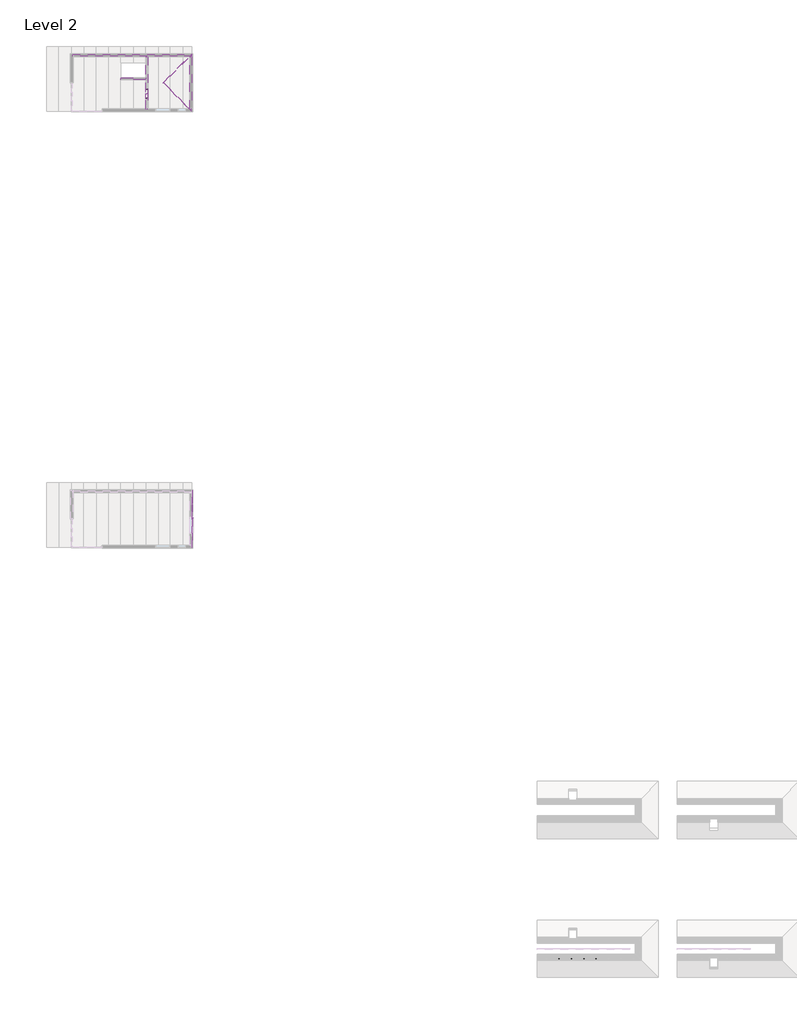
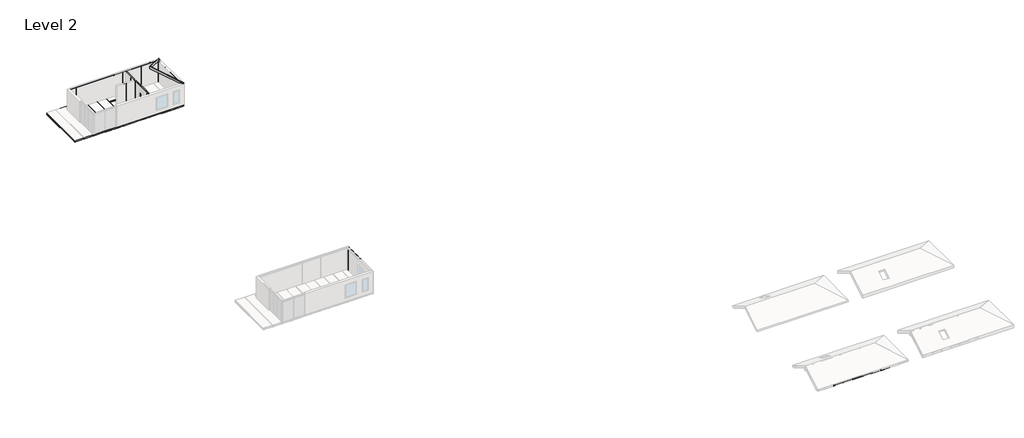
# One storey, part 4 of 5: 107 beams.
"""IFC4 building model written with IfcOpenShell, lengths in millimetres."""

import ifcopenshell
import ifcopenshell.guid

model = None  # the IFC model being written
_history = None  # IfcOwnerHistory: only IFC2X3 demands one
_inside = {}  # id of a spatial element -> (the spatial element, [elements in it])
_under = {}  # id of a project, library or spatial element -> (it, [spatial elements below it])
_declared = {}  # id of a project -> (the project, [libraries it declares])
_typed = {}  # id of a type object -> (the type object, [elements of that type])
_made_of = {}  # id of a material, layer set ... -> (it, [elements and type objects made of it])


def new_model(schema):
    """Start an empty IFC model of exactly this schema.

    Asked for "IFC4X3", IfcOpenShell would pick the latest addendum, in which some entities
    have other attributes; the version numbers below select the first issue.
    IFC2X3 requires an IfcOwnerHistory on every rooted entity: one is made here for all.
    """
    global model, _history
    if schema == "IFC4X3":
        model = ifcopenshell.file(schema_version=(4, 3, 0, 0))
    else:
        model = ifcopenshell.file(schema=schema)
    _inside.clear()
    _under.clear()
    _declared.clear()
    _typed.clear()
    _made_of.clear()
    _history = None
    if model.schema == "IFC2X3":
        org = make("IfcOrganization", Name="unknown")
        user = make(
            "IfcPersonAndOrganization",
            ThePerson=make("IfcPerson", FamilyName="unknown"),
            TheOrganization=org,
        )
        app = make(
            "IfcApplication",
            ApplicationDeveloper=org,
            Version="unknown",
            ApplicationFullName="unknown",
            ApplicationIdentifier="unknown",
        )
        _history = make(
            "IfcOwnerHistory",
            OwningUser=user,
            OwningApplication=app,
            ChangeAction="ADDED",
            CreationDate=0,
        )
    return model


def make(cls, **values):
    """One entity of the class cls with the attributes given. An attribute that is None is left unset."""
    return model.create_entity(
        cls, **{name: value for name, value in values.items() if value is not None}
    )


def rooted(cls, **values):
    """An entity with a GlobalId (a new one), such as an element, a storey or a relation."""
    return make(cls, GlobalId=ifcopenshell.guid.new(), OwnerHistory=_history, **values)


def si_unit(unit_type, name, prefix=None):
    """IfcSIUnit, for example si_unit("LENGTHUNIT", "METRE", prefix="MILLI")."""
    return make("IfcSIUnit", UnitType=unit_type, Prefix=prefix, Name=name)


def assignment(units):
    """IfcUnitAssignment: the units of a project."""
    return None if units is None else make("IfcUnitAssignment", Units=units)


def point(xyz):
    """IfcCartesianPoint."""
    return None if xyz is None else make("IfcCartesianPoint", Coordinates=xyz)


def direction(xyz):
    """IfcDirection."""
    return None if xyz is None else make("IfcDirection", DirectionRatios=xyz)


def frame(location, z_axis=None, x_axis=None):
    """IfcAxis2Placement3D, a coordinate frame: its origin and axes. An axis left out is left unset."""
    return make(
        "IfcAxis2Placement3D",
        Location=point(location),
        Axis=direction(z_axis),
        RefDirection=direction(x_axis),
    )


def origin():
    """The frame at (0, 0, 0) with its axes left unset."""
    return frame((0.0, 0.0, 0.0))


def place(relative_to, where):
    """IfcLocalPlacement: puts the frame where relative to a parent placement (None: the world)."""
    return make(
        "IfcLocalPlacement", PlacementRelTo=relative_to, RelativePlacement=where
    )


def context(
    kind, dimensions, precision=None, world=None, true_north=None, identifier=None
):
    """IfcGeometricRepresentationContext, for example the 3D "Model" context."""
    return make(
        "IfcGeometricRepresentationContext",
        ContextIdentifier=identifier,
        ContextType=kind,
        CoordinateSpaceDimension=dimensions,
        Precision=precision,
        WorldCoordinateSystem=world,
        TrueNorth=true_north,
    )


def project(units=None, contexts=None):
    """IfcProject with its units and contexts."""
    return rooted(
        "IfcProject",
        Name="project",
        RepresentationContexts=contexts,
        UnitsInContext=assignment(units),
    )


def spatial(cls, under=None, at=None, **own):
    """A site, building, storey or space (cls), placed at a placement, below another one or the project."""
    s = rooted(cls, ObjectPlacement=at, **own)
    if under is not None:
        _under.setdefault(under.id(), (under, []))[1].append(s)
    return s


def polyline(points):
    """IfcPolyline through the points."""
    return make("IfcPolyline", Points=[point(p) for p in points])


def outline(outer, holes=None, kind="AREA"):
    """IfcArbitraryClosedProfileDef: a profile drawn as a closed curve; with holes, ...WithVoids."""
    if holes is None:
        return make("IfcArbitraryClosedProfileDef", ProfileType=kind, OuterCurve=outer)
    return make(
        "IfcArbitraryProfileDefWithVoids",
        ProfileType=kind,
        OuterCurve=outer,
        InnerCurves=holes,
    )


def extrude(swept, where, along, depth):
    """IfcExtrudedAreaSolid: the profile swept, set in the frame where, extruded along a direction by depth."""
    return make(
        "IfcExtrudedAreaSolid",
        SweptArea=swept,
        Position=where,
        ExtrudedDirection=direction(along),
        Depth=depth,
    )


def faces_of(points, faces, orient=None, outer=None):
    """IfcFace entities. A face is a list of loops; a loop is a list of indices into points, from 0.

    orient and outer hold one flag for each loop. By default every Orientation is true, the
    first loop of a face is its IfcFaceOuterBound and the others are IfcFaceBound.
    """
    made = []
    for i, loops in enumerate(faces):
        bounds = []
        for j, loop in enumerate(loops):
            is_outer = j == 0 if outer is None else outer[i][j]
            bounds.append(
                make(
                    "IfcFaceOuterBound" if is_outer else "IfcFaceBound",
                    Bound=make("IfcPolyLoop", Polygon=[points[k] for k in loop]),
                    Orientation=True if orient is None else orient[i][j],
                )
            )
        made.append(make("IfcFace", Bounds=bounds))
    return made


def faceted_brep(points, faces, orient=None, outer=None, voids=None):
    """IfcFacetedBrep: a solid bounded by flat faces; with voids (closed shells), ...WithVoids."""
    shared = [point(p) for p in points]
    hull = make("IfcClosedShell", CfsFaces=faces_of(shared, faces, orient, outer))
    if voids is None:
        return make("IfcFacetedBrep", Outer=hull)
    return make(
        "IfcFacetedBrepWithVoids",
        Outer=hull,
        Voids=[
            make(cls, CfsFaces=faces_of(shared, fs, o, b)) for cls, fs, o, b in voids
        ],
    )


def shape(context_of_items, identifier, shape_type, items):
    """IfcShapeRepresentation: the items that make up one representation, for example the "Body"."""
    return make(
        "IfcShapeRepresentation",
        ContextOfItems=context_of_items,
        RepresentationIdentifier=identifier,
        RepresentationType=shape_type,
        Items=items,
    )


def source(mapping_origin, context_of_items, identifier, shape_type, items):
    """IfcRepresentationMap: a shape defined once, which mapped items show again and again."""
    return make(
        "IfcRepresentationMap",
        MappingOrigin=mapping_origin,
        MappedRepresentation=shape(context_of_items, identifier, shape_type, items),
    )


def transform(
    local_origin,
    x_axis=None,
    y_axis=None,
    z_axis=None,
    scale=None,
    scale2=None,
    scale3=None,
    uniform=True,
):
    """IfcCartesianTransformationOperator3D, or its non-uniform kind. x_axis, y_axis, z_axis: its Axis1, 2, 3."""
    if uniform:
        return make(
            "IfcCartesianTransformationOperator3D",
            Axis1=direction(x_axis),
            Axis2=direction(y_axis),
            LocalOrigin=point(local_origin),
            Scale=scale,
            Axis3=direction(z_axis),
        )
    return make(
        "IfcCartesianTransformationOperator3DnonUniform",
        Axis1=direction(x_axis),
        Axis2=direction(y_axis),
        LocalOrigin=point(local_origin),
        Scale=scale,
        Axis3=direction(z_axis),
        Scale2=scale2,
        Scale3=scale3,
    )


def mapped(mapping_source, mapping_target):
    """IfcMappedItem: shows the shape of a source again, moved by a transform."""
    return make(
        "IfcMappedItem", MappingSource=mapping_source, MappingTarget=mapping_target
    )


def made_of(thing, what):
    """Note that an element or type object is made of a material, layer set ...; save() writes the relation."""
    if what is not None:
        _made_of.setdefault(what.id(), (what, []))[1].append(thing)
    return thing


def element(
    cls,
    number,
    at=None,
    inside=None,
    cuts=None,
    type_object=None,
    material=None,
    context=None,
    identifier="Body",
    shape_type=None,
    held_by="IfcProductDefinitionShape",
    body=None,
    shapes=None,
    **own,
):
    """One element of the class cls, such as IfcWall. Its Tag is "e" and its number.

    at: its placement. inside: the storey or other place that contains it. cuts: it is an
    opening in that element (IfcRelVoidsElement). A single representation is given by context,
    identifier, shape_type and body (its items); several are given by shapes. held_by: the class
    of the entity that holds the representations. save() writes the other relations.
    """
    e = rooted(cls, Tag="e%d" % number, ObjectPlacement=at, **own)
    if body is not None:
        shapes = [shape(context, identifier, shape_type, body)]
    if shapes is not None:
        e.Representation = make(held_by, Representations=shapes)
    if inside is not None:
        _inside.setdefault(inside.id(), (inside, []))[1].append(e)
    if cuts is not None:
        rooted(
            "IfcRelVoidsElement", RelatingBuildingElement=cuts, RelatedOpeningElement=e
        )
    if type_object is not None:
        _typed.setdefault(type_object.id(), (type_object, []))[1].append(e)
    return made_of(e, material)


def aggregate(whole, parts):
    """IfcRelAggregates: a whole, such as a stair, and the parts it consists of."""
    return rooted("IfcRelAggregates", RelatingObject=whole, RelatedObjects=parts)


def save(model, path):
    """Write the relations noted so far, then the file.

    IfcRelAggregates (storeys below a building ...), IfcRelContainedInSpatialStructure (elements
    in a storey), IfcRelDefinesByType, IfcRelAssociatesMaterial and IfcRelDeclares: one each for
    every whole, place, type object, material and project.
    """
    for whole, parts in _under.values():
        aggregate(whole, parts)
    for where, things in _inside.values():
        rooted(
            "IfcRelContainedInSpatialStructure",
            RelatedElements=things,
            RelatingStructure=where,
        )
    for kind, things in _typed.values():
        rooted("IfcRelDefinesByType", RelatedObjects=things, RelatingType=kind)
    for what, things in _made_of.values():
        rooted("IfcRelAssociatesMaterial", RelatedObjects=things, RelatingMaterial=what)
    for by, libraries in _declared.values():
        rooted("IfcRelDeclares", RelatingContext=by, RelatedDefinitions=libraries)
    model.write(path)


def beam_57b706e4(model_context):
    return source(origin(), model_context, "Body", "SweptSolid", [
        extrude(outline(polyline([(11.0, 68.6333333), (11.0, -42.9666667), (-11.0, -42.9666667), (-11.0, 55.8), (11.0, 68.6333333)])), frame((-601.0, 0.0, 0.0), z_axis=(1.0, 0.0, 0.0), x_axis=(0.0, 1.0, 0.0)), (0.0, 0.0, 1.0), 1202.0),
    ])


def beam_c66c2ead(model_context):
    return source(origin(), model_context, "Body", "SweptSolid", [
        extrude(outline(polyline([(-1567.0, 22.5), (1567.0, 22.5), (1567.0, -22.5), (-1567.0, -22.5), (-1567.0, 22.5)])), frame((0.0, 0.0, -9.0), z_axis=(0.0, 0.0, 1.0), x_axis=(1.0, 0.0, 0.0)), (0.0, 0.0, 1.0), 18.0),
    ])


def beam_1147a853(model_context):
    return source(origin(), model_context, "Body", "SweptSolid", [
        extrude(outline(polyline([(-1567.0, -22.5), (-1567.0, 22.5), (1567.0, 22.5), (1567.0, -22.5), (-1567.0, -22.5)])), frame((0.0, 0.0, -9.0), z_axis=(0.0, 0.0, 1.0), x_axis=(1.0, 0.0, 0.0)), (0.0, 0.0, 1.0), 18.0),
    ])


def beam_9faf55c2(model_context):
    return source(origin(), model_context, "Body", "SweptSolid", [
        extrude(outline(polyline([(493.5, -18.0), (-493.5, -18.0), (-493.5, 18.0), (493.5, 18.0), (493.5, -18.0)])), frame((0.0, 0.0, -100.0), z_axis=(0.0, 0.0, 1.0), x_axis=(1.0, 0.0, 0.0)), (0.0, 0.0, 1.0), 200.0),
    ])


def beam_60617e37(model_context):
    return source(origin(), model_context, "Body", "SweptSolid", [
        extrude(outline(polyline([(2650.0, -18.0), (-2650.0, -18.0), (-2650.0, 18.0), (2650.0, 18.0), (2650.0, -18.0)])), frame((0.0, 0.0, -100.0), z_axis=(0.0, 0.0, 1.0), x_axis=(1.0, 0.0, 0.0)), (0.0, 0.0, 1.0), 200.0),
    ])


def beam_c2c4aec8(model_context):
    return source(origin(), model_context, "Body", "SweptSolid", [
        extrude(outline(polyline([(1272.5, -18.0), (-1272.5, -18.0), (-1272.5, 18.0), (1272.5, 18.0), (1272.5, -18.0)])), frame((0.0, 0.0, -100.0), z_axis=(0.0, 0.0, 1.0), x_axis=(1.0, 0.0, 0.0)), (0.0, 0.0, 1.0), 200.0),
    ])


def beam_502ad39e(model_context):
    return source(origin(), model_context, "Body", "SweptSolid", [
        extrude(outline(polyline([(1653.5, -18.0), (-1653.5, -18.0), (-1653.5, 18.0), (1653.5, 18.0), (1653.5, -18.0)])), frame((0.0, 0.0, -100.0), z_axis=(0.0, 0.0, 1.0), x_axis=(1.0, 0.0, 0.0)), (0.0, 0.0, 1.0), 200.0),
    ])


def beam_29030078(model_context):
    return source(origin(), model_context, "Body", "SweptSolid", [
        extrude(outline(polyline([(539.0, -18.0), (-539.0, -18.0), (-539.0, 18.0), (539.0, 18.0), (539.0, -18.0)])), frame((0.0, 0.0, -100.0), z_axis=(0.0, 0.0, 1.0), x_axis=(1.0, 0.0, 0.0)), (0.0, 0.0, 1.0), 200.0),
    ])


def beam_5170ab33(model_context):
    return source(origin(), model_context, "Body", "SweptSolid", [
        extrude(outline(polyline([(1343.5, -35.0), (-1308.5, -35.0), (-1308.5, 35.0), (1343.5, 35.0), (1343.5, -35.0)])), frame((0.0, 0.0, -14.0), z_axis=(0.0, 0.0, 1.0), x_axis=(1.0, 0.0, 0.0)), (0.0, 0.0, 1.0), 28.0),
    ])


def beam_8fbc84a4(model_context):
    return source(origin(), model_context, "Body", "SweptSolid", [
        extrude(outline(polyline([(2892.0, -35.0), (-2892.0, -35.0), (-2892.0, 35.0), (2892.0, 35.0), (2892.0, -35.0)])), frame((0.0, 0.0, -14.0), z_axis=(0.0, 0.0, 1.0), x_axis=(1.0, 0.0, 0.0)), (0.0, 0.0, 1.0), 28.0),
    ])


def beam_0205a411(model_context):
    return source(origin(), model_context, "Body", "SweptSolid", [
        extrude(outline(polyline([(6000.25, -18.0), (-6000.25, -18.0), (-6000.25, 18.0), (6000.25, 18.0), (6000.25, -18.0)])), frame((0.0, 0.0, -100.0), z_axis=(0.0, 0.0, 1.0), x_axis=(1.0, 0.0, 0.0)), (0.0, 0.0, 1.0), 200.0),
    ])


def beam_2ba6ea82(model_context):
    return source(origin(), model_context, "Body", "SweptSolid", [
        extrude(outline(polyline([(-3217.0, 22.5), (3217.0, 22.5), (3217.0, -22.5), (-3217.0, -22.5), (-3217.0, 22.5)])), frame((0.0, 0.0, -100.0), z_axis=(0.0, 0.0, 1.0), x_axis=(1.0, 0.0, 0.0)), (0.0, 0.0, 1.0), 200.0),
    ])


def beam_c6b4a700(model_context):
    return source(origin(), model_context, "Body", "SweptSolid", [
        extrude(outline(polyline([(-1642.0, 22.5), (1642.0, 22.5), (1642.0, -22.5), (-1642.0, -22.5), (-1642.0, 22.5)])), frame((0.0, 0.0, -100.0), z_axis=(0.0, 0.0, 1.0), x_axis=(1.0, 0.0, 0.0)), (0.0, 0.0, 1.0), 200.0),
    ])


def beam_af2c8488(model_context):
    return source(origin(), model_context, "Body", "SweptSolid", [
        extrude(outline(polyline([(-777.1654636, 22.5), (777.1654636, 22.5), (777.1654636, -22.5), (-777.1654636, -22.5), (-777.1654636, 22.5)])), frame((0.0, 0.0, -100.0), z_axis=(0.0, 0.0, 1.0), x_axis=(1.0, 0.0, 0.0)), (0.0, 0.0, 1.0), 200.0),
    ])


def beam_254bf905(model_context):
    return source(origin(), model_context, "Body", "SweptSolid", [
        extrude(outline(polyline([(-7333.75, 22.5), (7333.75, 22.5), (7333.75, -22.5), (-7333.75, -22.5), (-7333.75, 22.5)])), frame((0.0, 0.0, -100.0), z_axis=(0.0, 0.0, 1.0), x_axis=(1.0, 0.0, 0.0)), (0.0, 0.0, 1.0), 200.0),
    ])


def beam_13e977b5(model_context):
    return source(origin(), model_context, "Body", "SweptSolid", [
        extrude(outline(polyline([(-1250.0, 22.5), (1250.0, 22.5), (1250.0, -22.5), (-1250.0, -22.5), (-1250.0, 22.5)])), frame((0.0, 0.0, -100.0), z_axis=(0.0, 0.0, 1.0), x_axis=(1.0, 0.0, 0.0)), (0.0, 0.0, 1.0), 200.0),
    ])


def ss_148x22_c98190bc(model_context):
    return source(origin(), model_context, "Body", "SweptSolid", [
        extrude(outline(polyline([(-56.0, 0.0), (-56.0, 11.0), (74.0, 11.0), (74.0, 0.0), (46.0, 0.0), (39.649147, -11.0), (-67.649147, -11.0), (-74.0, 0.0), (-56.0, 0.0)])), frame((-1612.0, 0.0, 0.0), z_axis=(1.0, 0.0, 0.0), x_axis=(0.0, 1.0, 0.0)), (0.0, 0.0, 1.0), 3224.0),
    ])


def stf_95x28_ebcede3a(model_context):
    return source(origin(), model_context, "Body", "SweptSolid", [
        extrude(outline(polyline([(-1502.0, -47.5), (-1502.0, 47.5), (1500.0, 47.5), (1500.0, -47.5), (-1502.0, -47.5)])), frame((0.0, 0.0, -14.0), z_axis=(0.0, 0.0, 1.0), x_axis=(1.0, 0.0, 0.0)), (0.0, 0.0, 1.0), 28.0),
    ])


model = new_model("IFC4")

# Units and contexts
model_context = context("Model", 3, world=origin())
ifc_project = project(units=[si_unit("LENGTHUNIT", "METRE", prefix="MILLI")], contexts=[model_context])

# Site, building, storey
site = spatial("IfcSite", under=ifc_project)
building = spatial("IfcBuilding", under=site)
storey = spatial("IfcBuildingStorey", under=building, Name="Level 2", Elevation=3000.0)

# Beams
placement = place(None, origin())
element("IfcBeam", 1, at=placement, inside=storey, context=model_context, shape_type="SweptSolid", body=[
    extrude(outline(polyline([(-36970.4286235, -102525.1761039), (-37170.4286235, -102525.1761039), (-37170.4286235, -102489.1761039), (-36970.4286235, -102489.1761039), (-36970.4286235, -102525.1761039)])), frame((0.0, 0.0, 3036.0), z_axis=(0.0, 0.0, 1.0), x_axis=(1.0, 0.0, 0.0)), (0.0, 0.0, 1.0), 2928.0),
])
element("IfcBeam", 2, at=placement, inside=storey, context=model_context, shape_type="SweptSolid", body=[
    extrude(outline(polyline([(-36970.4286235, -97261.1761039), (-37170.4286235, -97261.1761039), (-37170.4286235, -97225.1761039), (-36970.4286235, -97225.1761039), (-36970.4286235, -97261.1761039)])), frame((0.0, 0.0, 3036.0), z_axis=(0.0, 0.0, 1.0), x_axis=(1.0, 0.0, 0.0)), (0.0, 0.0, 1.0), 2928.0),
])
element("IfcBeam", 3, at=placement, inside=storey, context=model_context, shape_type="SweptSolid", body=[
    extrude(outline(polyline([(-36970.4286235, -101293.1761039), (-37170.4286235, -101293.1761039), (-37170.4286235, -101257.1761039), (-36970.4286235, -101257.1761039), (-36970.4286235, -101293.1761039)])), frame((0.0, 0.0, 3036.0), z_axis=(0.0, 0.0, 1.0), x_axis=(1.0, 0.0, 0.0)), (0.0, 0.0, 1.0), 2928.0),
])
element("IfcBeam", 4, at=placement, inside=storey, context=model_context, shape_type="SweptSolid", body=[
    extrude(outline(polyline([(-36970.4286235, -100043.1761039), (-37170.4286235, -100043.1761039), (-37170.4286235, -100007.1761039), (-36970.4286235, -100007.1761039), (-36970.4286235, -100043.1761039)])), frame((0.0, 0.0, 3036.0), z_axis=(0.0, 0.0, 1.0), x_axis=(1.0, 0.0, 0.0)), (0.0, 0.0, 1.0), 2928.0),
])
element("IfcBeam", 5, at=placement, inside=storey, context=model_context, shape_type="SweptSolid", body=[
    extrude(outline(polyline([(-36970.4286235, -97543.1761039), (-37170.4286235, -97543.1761039), (-37170.4286235, -97507.1761039), (-36970.4286235, -97507.1761039), (-36970.4286235, -97543.1761039)])), frame((0.0, 0.0, 3036.0), z_axis=(0.0, 0.0, 1.0), x_axis=(1.0, 0.0, 0.0)), (0.0, 0.0, 1.0), 2928.0),
])
element("IfcBeam", 6, at=placement, inside=storey, context=model_context, shape_type="SweptSolid", body=[
    extrude(outline(polyline([(-36970.4286235, -98793.1761039), (-37170.4286235, -98793.1761039), (-37170.4286235, -98757.1761039), (-36970.4286235, -98757.1761039), (-36970.4286235, -98793.1761039)])), frame((0.0, 0.0, 3036.0), z_axis=(0.0, 0.0, 1.0), x_axis=(1.0, 0.0, 0.0)), (0.0, 0.0, 1.0), 2928.0),
])
element("IfcBeam", 7, at=placement, inside=storey, context=model_context, shape_type="SweptSolid", body=[
    extrude(outline(polyline([(-41603.4286235, -99375.1761039), (-41603.4286235, -99575.1761039), (-41639.4286235, -99575.1761039), (-41639.4286235, -99375.1761039), (-41603.4286235, -99375.1761039)])), frame((0.0, 0.0, 3036.0), z_axis=(0.0, 0.0, 1.0), x_axis=(1.0, 0.0, 0.0)), (0.0, 0.0, 1.0), 3128.0),
])
element("IfcBeam", 8, at=placement, inside=storey, context=model_context, shape_type="SweptSolid", body=[
    extrude(outline(polyline([(-44112.4286235, -99375.1761039), (-44112.4286235, -99575.1761039), (-44148.4286235, -99575.1761039), (-44148.4286235, -99375.1761039), (-44112.4286235, -99375.1761039)])), frame((0.0, 0.0, 3036.0), z_axis=(0.0, 0.0, 1.0), x_axis=(1.0, 0.0, 0.0)), (0.0, 0.0, 1.0), 3128.0),
])
element("IfcBeam", 9, at=placement, inside=storey, context=model_context, shape_type="SweptSolid", body=[
    extrude(outline(polyline([(-42835.4286235, -99375.1761039), (-42835.4286235, -99575.1761039), (-42871.4286235, -99575.1761039), (-42871.4286235, -99375.1761039), (-42835.4286235, -99375.1761039)])), frame((0.0, 0.0, 3036.0), z_axis=(0.0, 0.0, 1.0), x_axis=(1.0, 0.0, 0.0)), (0.0, 0.0, 1.0), 3128.0),
])
element("IfcBeam", 10, at=placement, inside=storey, context=model_context, shape_type="SweptSolid", body=[
    extrude(outline(polyline([(-44076.4286235, -99375.1761039), (-44076.4286235, -99575.1761039), (-44112.4286235, -99575.1761039), (-44112.4286235, -99375.1761039), (-44076.4286235, -99375.1761039)])), frame((0.0, 0.0, 3036.0), z_axis=(0.0, 0.0, 1.0), x_axis=(1.0, 0.0, 0.0)), (0.0, 0.0, 1.0), 3128.0),
])
element("IfcBeam", 11, at=placement, inside=storey, context=model_context, shape_type="SweptSolid", body=[
    extrude(outline(polyline([(-41591.4286235, -97225.1761039), (-41391.4286235, -97225.1761039), (-41391.4286235, -97261.1761039), (-41591.4286235, -97261.1761039), (-41591.4286235, -97225.1761039)])), frame((0.0, 0.0, 3036.0), z_axis=(0.0, 0.0, 1.0), x_axis=(1.0, 0.0, 0.0)), (0.0, 0.0, 1.0), 2928.0),
])
element("IfcBeam", 12, at=placement, inside=storey, context=model_context, shape_type="SweptSolid", body=[
    extrude(outline(polyline([(-41591.4286235, -102489.1761039), (-41391.4286235, -102489.1761039), (-41391.4286235, -102525.1761039), (-41591.4286235, -102525.1761039), (-41591.4286235, -102489.1761039)])), frame((0.0, 0.0, 3036.0), z_axis=(0.0, 0.0, 1.0), x_axis=(1.0, 0.0, 0.0)), (0.0, 0.0, 1.0), 2928.0),
])
element("IfcBeam", 13, at=placement, inside=storey, context=model_context, shape_type="SweptSolid", body=[
    extrude(outline(polyline([(-41591.4286235, -100496.1761039), (-41391.4286235, -100496.1761039), (-41391.4286235, -100532.1761039), (-41591.4286235, -100532.1761039), (-41591.4286235, -100496.1761039)])), frame((0.0, 0.0, 3036.0), z_axis=(0.0, 0.0, 1.0), x_axis=(1.0, 0.0, 0.0)), (0.0, 0.0, 1.0), 2098.0),
])
element("IfcBeam", 14, at=placement, inside=storey, context=model_context, shape_type="SweptSolid", body=[
    extrude(outline(polyline([(-41591.4286235, -101447.1761039), (-41391.4286235, -101447.1761039), (-41391.4286235, -101483.1761039), (-41591.4286235, -101483.1761039), (-41591.4286235, -101447.1761039)])), frame((0.0, 0.0, 3036.0), z_axis=(0.0, 0.0, 1.0), x_axis=(1.0, 0.0, 0.0)), (0.0, 0.0, 1.0), 2098.0),
])
element("IfcBeam", 15, at=placement, inside=storey, context=model_context, shape_type="SweptSolid", body=[
    extrude(outline(polyline([(-41591.4286235, -100957.1761039), (-41391.4286235, -100957.1761039), (-41391.4286235, -100993.1761039), (-41591.4286235, -100993.1761039), (-41591.4286235, -100957.1761039)])), frame((0.0, 0.0, 5170.0), z_axis=(0.0, 0.0, 1.0), x_axis=(1.0, 0.0, 0.0)), (0.0, 0.0, 1.0), 794.0),
])
element("IfcBeam", 16, at=placement, inside=storey, context=model_context, shape_type="SweptSolid", body=[
    extrude(outline(polyline([(-41591.4286235, -98457.1761039), (-41391.4286235, -98457.1761039), (-41391.4286235, -98493.1761039), (-41591.4286235, -98493.1761039), (-41591.4286235, -98457.1761039)])), frame((0.0, 0.0, 3036.0), z_axis=(0.0, 0.0, 1.0), x_axis=(1.0, 0.0, 0.0)), (0.0, 0.0, 1.0), 2928.0),
])
element("IfcBeam", 17, at=placement, inside=storey, context=model_context, shape_type="SweptSolid", body=[
    extrude(outline(polyline([(-41591.4286235, -99707.1761039), (-41391.4286235, -99707.1761039), (-41391.4286235, -99743.1761039), (-41591.4286235, -99743.1761039), (-41591.4286235, -99707.1761039)])), frame((0.0, 0.0, 3036.0), z_axis=(0.0, 0.0, 1.0), x_axis=(1.0, 0.0, 0.0)), (0.0, 0.0, 1.0), 2928.0),
])
element("IfcBeam", 18, at=placement, inside=storey, context=model_context, shape_type="SweptSolid", body=[
    extrude(outline(polyline([(-41591.4286235, -102207.1761039), (-41391.4286235, -102207.1761039), (-41391.4286235, -102243.1761039), (-41591.4286235, -102243.1761039), (-41591.4286235, -102207.1761039)])), frame((0.0, 0.0, 3036.0), z_axis=(0.0, 0.0, 1.0), x_axis=(1.0, 0.0, 0.0)), (0.0, 0.0, 1.0), 2928.0),
])
element("IfcBeam", 19, at=placement, inside=storey, context=model_context, shape_type="Brep", body=[
    faceted_brep([(-36958.4286235, -97015.995909, 6098.9205451), (-39817.6088184, -99875.1761039, 7749.6690002), (-39817.6088184, -99875.1761039, 7425.6319653), (-37365.0080492, -97422.5753347, 6009.622251), (-36958.4286235, -97015.995909, 6009.622251), (-39881.2484287, -99875.1761039, 7768.0401733), (-36990.2484287, -96984.1761039, 6098.9205451), (-36990.2484287, -96984.1761039, 6009.622251), (-37396.8278543, -97390.7555295, 6009.622251), (-39849.4286235, -99843.3562987, 7425.6319653), (-39849.4286235, -99843.3562987, 7493.3288926), (-39881.2484287, -99875.1761039, 7511.7000656), (-36958.4286235, -96984.1761039, 6089.7349585), (-39849.4286235, -99875.1761039, 7434.8175519), (-36958.4286235, -96984.1761039, 6009.622251), (-39849.4286235, -99875.1761039, 7511.7000656)], [[[0, 1, 2, 3, 4]], [[5, 6, 7, 8, 9, 10, 11]], [[1, 0, 12, 6, 5]], [[3, 2, 13, 9, 8]], [[4, 3, 8, 7, 14]], [[7, 6, 12, 14]], [[0, 4, 14, 12]], [[2, 1, 5, 11, 15, 13]], [[10, 15, 11]], [[9, 13, 15, 10]]]),
])
element("IfcBeam", 20, at=placement, inside=storey, context=model_context, shape_type="Brep", body=[
    faceted_brep([(-36990.2484287, -102766.1761039, 6098.9205451), (-39881.2484287, -99875.1761039, 7768.0401733), (-39881.2484287, -99875.1761039, 7468.3987954), (-39849.4286235, -99906.995909, 7468.3987954), (-39849.4286235, -99906.995909, 7425.6319653), (-37396.8278543, -102359.5966782, 6009.622251), (-36990.2484287, -102766.1761039, 6009.622251), (-39817.6088184, -99875.1761039, 7749.6690002), (-36958.4286235, -102734.3562987, 6098.9205451), (-36958.4286235, -102734.3562987, 6009.622251), (-37365.0080492, -102327.7768731, 6009.622251), (-39817.6088184, -99875.1761039, 7425.6319653), (-36958.4286235, -102766.1761039, 6089.7349585), (-39849.4286235, -99875.1761039, 7434.8175519), (-36958.4286235, -102766.1761039, 6009.622251), (-39849.4286235, -99875.1761039, 7468.3987954)], [[[0, 1, 2, 3, 4, 5, 6]], [[7, 8, 9, 10, 11]], [[1, 0, 12, 8, 7]], [[11, 10, 5, 4, 13]], [[6, 5, 10, 9, 14]], [[9, 8, 12, 14]], [[0, 6, 14, 12]], [[7, 11, 13, 15, 2, 1]], [[15, 3, 2]], [[3, 15, 13, 4]]]),
])
element("IfcBeam", 21, at=placement, inside=storey, context=model_context, shape_type="SweptSolid", body=[
    extrude(outline(polyline([(-36970.4286235, -141261.1761039), (-37170.4286235, -141261.1761039), (-37170.4286235, -141225.1761039), (-36970.4286235, -141225.1761039), (-36970.4286235, -141261.1761039)])), frame((0.0, 0.0, 3036.0), z_axis=(0.0, 0.0, 1.0), x_axis=(1.0, 0.0, 0.0)), (0.0, 0.0, 1.0), 2928.0),
])
element("IfcBeam", 22, at=placement, inside=storey, context=model_context, shape_type="SweptSolid", body=[
    extrude(outline(polyline([(-36970.4286235, -141543.1761039), (-37170.4286235, -141543.1761039), (-37170.4286235, -141507.1761039), (-36970.4286235, -141507.1761039), (-36970.4286235, -141543.1761039)])), frame((0.0, 0.0, 3036.0), z_axis=(0.0, 0.0, 1.0), x_axis=(1.0, 0.0, 0.0)), (0.0, 0.0, 1.0), 2928.0),
])
element("IfcBeam", 23, at=placement, inside=storey, context=model_context, shape_type="SweptSolid", body=[
    extrude(outline(polyline([(-36970.4286235, -142793.1761039), (-37170.4286235, -142793.1761039), (-37170.4286235, -142757.1761039), (-36970.4286235, -142757.1761039), (-36970.4286235, -142793.1761039)])), frame((0.0, 0.0, 3036.0), z_axis=(0.0, 0.0, 1.0), x_axis=(1.0, 0.0, 0.0)), (0.0, 0.0, 1.0), 2928.0),
])
element("IfcBeam", 24, at=placement, inside=storey, context=model_context, shape_type="SweptSolid", body=[
    extrude(outline(polyline([(-36958.4286235, -97013.1761039), (-36958.4286235, -97213.1761039), (-36994.4286235, -97213.1761039), (-36994.4286235, -97013.1761039), (-36958.4286235, -97013.1761039)])), frame((0.0, 0.0, 3036.0), z_axis=(0.0, 0.0, 1.0), x_axis=(1.0, 0.0, 0.0)), (0.0, 0.0, 1.0), 2928.0),
])
element("IfcBeam", 25, at=placement, inside=storey, context=model_context, shape_type="SweptSolid", body=[
    extrude(outline(polyline([(-48922.9286235, -97013.1761039), (-48922.9286235, -97213.1761039), (-48958.9286235, -97213.1761039), (-48958.9286235, -97013.1761039), (-48922.9286235, -97013.1761039)])), frame((0.0, 0.0, 3036.0), z_axis=(0.0, 0.0, 1.0), x_axis=(1.0, 0.0, 0.0)), (0.0, 0.0, 1.0), 2928.0),
])
element("IfcBeam", 26, at=placement, inside=storey, context=model_context, shape_type="SweptSolid", body=[
    extrude(outline(polyline([(-38190.4286235, -97013.1761039), (-38190.4286235, -97213.1761039), (-38226.4286235, -97213.1761039), (-38226.4286235, -97013.1761039), (-38190.4286235, -97013.1761039)])), frame((0.0, 0.0, 3036.0), z_axis=(0.0, 0.0, 1.0), x_axis=(1.0, 0.0, 0.0)), (0.0, 0.0, 1.0), 2928.0),
])
element("IfcBeam", 27, at=placement, inside=storey, context=model_context, shape_type="SweptSolid", body=[
    extrude(outline(polyline([(-39440.4286235, -97013.1761039), (-39440.4286235, -97213.1761039), (-39476.4286235, -97213.1761039), (-39476.4286235, -97013.1761039), (-39440.4286235, -97013.1761039)])), frame((0.0, 0.0, 3036.0), z_axis=(0.0, 0.0, 1.0), x_axis=(1.0, 0.0, 0.0)), (0.0, 0.0, 1.0), 2928.0),
])
element("IfcBeam", 28, at=placement, inside=storey, context=model_context, shape_type="SweptSolid", body=[
    extrude(outline(polyline([(-40690.4286235, -97013.1761039), (-40690.4286235, -97213.1761039), (-40726.4286235, -97213.1761039), (-40726.4286235, -97013.1761039), (-40690.4286235, -97013.1761039)])), frame((0.0, 0.0, 3036.0), z_axis=(0.0, 0.0, 1.0), x_axis=(1.0, 0.0, 0.0)), (0.0, 0.0, 1.0), 2928.0),
])
element("IfcBeam", 29, at=placement, inside=storey, context=model_context, shape_type="SweptSolid", body=[
    extrude(outline(polyline([(-41940.4286235, -97013.1761039), (-41940.4286235, -97213.1761039), (-41976.4286235, -97213.1761039), (-41976.4286235, -97013.1761039), (-41940.4286235, -97013.1761039)])), frame((0.0, 0.0, 3036.0), z_axis=(0.0, 0.0, 1.0), x_axis=(1.0, 0.0, 0.0)), (0.0, 0.0, 1.0), 2928.0),
])
element("IfcBeam", 30, at=placement, inside=storey, context=model_context, shape_type="SweptSolid", body=[
    extrude(outline(polyline([(-48190.4286235, -97013.1761039), (-48190.4286235, -97213.1761039), (-48226.4286235, -97213.1761039), (-48226.4286235, -97013.1761039), (-48190.4286235, -97013.1761039)])), frame((0.0, 0.0, 3036.0), z_axis=(0.0, 0.0, 1.0), x_axis=(1.0, 0.0, 0.0)), (0.0, 0.0, 1.0), 2928.0),
])
element("IfcBeam", 31, at=placement, inside=storey, context=model_context, shape_type="SweptSolid", body=[
    extrude(outline(polyline([(-46940.4286235, -97013.1761039), (-46940.4286235, -97213.1761039), (-46976.4286235, -97213.1761039), (-46976.4286235, -97013.1761039), (-46940.4286235, -97013.1761039)])), frame((0.0, 0.0, 3036.0), z_axis=(0.0, 0.0, 1.0), x_axis=(1.0, 0.0, 0.0)), (0.0, 0.0, 1.0), 2928.0),
])
element("IfcBeam", 32, at=placement, inside=storey, context=model_context, shape_type="SweptSolid", body=[
    extrude(outline(polyline([(-45690.4286235, -97013.1761039), (-45690.4286235, -97213.1761039), (-45726.4286235, -97213.1761039), (-45726.4286235, -97013.1761039), (-45690.4286235, -97013.1761039)])), frame((0.0, 0.0, 3036.0), z_axis=(0.0, 0.0, 1.0), x_axis=(1.0, 0.0, 0.0)), (0.0, 0.0, 1.0), 2928.0),
])
element("IfcBeam", 33, at=placement, inside=storey, context=model_context, shape_type="SweptSolid", body=[
    extrude(outline(polyline([(-44440.4286235, -97013.1761039), (-44440.4286235, -97213.1761039), (-44476.4286235, -97213.1761039), (-44476.4286235, -97013.1761039), (-44440.4286235, -97013.1761039)])), frame((0.0, 0.0, 3036.0), z_axis=(0.0, 0.0, 1.0), x_axis=(1.0, 0.0, 0.0)), (0.0, 0.0, 1.0), 2928.0),
])
element("IfcBeam", 34, at=placement, inside=storey, context=model_context, shape_type="SweptSolid", body=[
    extrude(outline(polyline([(-43190.4286235, -97013.1761039), (-43190.4286235, -97213.1761039), (-43226.4286235, -97213.1761039), (-43226.4286235, -97013.1761039), (-43190.4286235, -97013.1761039)])), frame((0.0, 0.0, 3036.0), z_axis=(0.0, 0.0, 1.0), x_axis=(1.0, 0.0, 0.0)), (0.0, 0.0, 1.0), 2928.0),
])
element("IfcBeam", 35, at=placement, inside=storey, context=model_context, shape_type="SweptSolid", body=[
    extrude(outline(polyline([(-36958.4286235, -141013.1761039), (-36958.4286235, -141213.1761039), (-36994.4286235, -141213.1761039), (-36994.4286235, -141013.1761039), (-36958.4286235, -141013.1761039)])), frame((0.0, 0.0, 3036.0), z_axis=(0.0, 0.0, 1.0), x_axis=(1.0, 0.0, 0.0)), (0.0, 0.0, 1.0), 2928.0),
])
element("IfcBeam", 36, at=placement, inside=storey, context=model_context, shape_type="SweptSolid", body=[
    extrude(outline(polyline([(-38190.4286235, -141013.1761039), (-38190.4286235, -141213.1761039), (-38226.4286235, -141213.1761039), (-38226.4286235, -141013.1761039), (-38190.4286235, -141013.1761039)])), frame((0.0, 0.0, 3036.0), z_axis=(0.0, 0.0, 1.0), x_axis=(1.0, 0.0, 0.0)), (0.0, 0.0, 1.0), 2928.0),
])
element("IfcBeam", 37, at=placement, inside=storey, context=model_context, shape_type="SweptSolid", body=[
    extrude(outline(polyline([(-39440.4286235, -141013.1761039), (-39440.4286235, -141213.1761039), (-39476.4286235, -141213.1761039), (-39476.4286235, -141013.1761039), (-39440.4286235, -141013.1761039)])), frame((0.0, 0.0, 3036.0), z_axis=(0.0, 0.0, 1.0), x_axis=(1.0, 0.0, 0.0)), (0.0, 0.0, 1.0), 2928.0),
])
element("IfcBeam", 38, at=placement, inside=storey, context=model_context, shape_type="SweptSolid", body=[
    extrude(outline(polyline([(-187260.1331485, 4791.4268805), (-187260.1331485, 4559.8861473), (-189923.5204631, 3006.2435471), (-190151.1331485, 3006.2435471), (-190151.1331485, 3105.0102138), (-187260.1331485, 4791.4268805)])), frame((62.6759203, 0.0, 0.0), z_axis=(1.0, 0.0, 0.0), x_axis=(0.0, 1.0, 0.0)), (0.0, 0.0, 1.0), 48.0),
])
element("IfcBeam", 39, at=placement, inside=storey, context=model_context, shape_type="SweptSolid", body=[
    extrude(outline(polyline([(-187260.1331485, 4791.4268805), (-187260.1331485, 4559.8861473), (-189923.5204631, 3006.2435471), (-190151.1331485, 3006.2435471), (-190151.1331485, 3105.0102138), (-187260.1331485, 4791.4268805)])), frame((1312.6759203, 0.0, 0.0), z_axis=(1.0, 0.0, 0.0), x_axis=(0.0, 1.0, 0.0)), (0.0, 0.0, 1.0), 48.0),
])
element("IfcBeam", 40, at=placement, inside=storey, context=model_context, shape_type="SweptSolid", body=[
    extrude(outline(polyline([(-187260.1331485, 4791.4268805), (-187260.1331485, 4559.8861473), (-189923.5204631, 3006.2435471), (-190151.1331485, 3006.2435471), (-190151.1331485, 3105.0102138), (-187260.1331485, 4791.4268805)])), frame((2562.6759203, 0.0, 0.0), z_axis=(1.0, 0.0, 0.0), x_axis=(0.0, 1.0, 0.0)), (0.0, 0.0, 1.0), 48.0),
])
element("IfcBeam", 41, at=placement, inside=storey, context=model_context, shape_type="SweptSolid", body=[
    extrude(outline(polyline([(-187260.1331485, 4791.4268805), (-187260.1331485, 4559.8861473), (-189923.5204631, 3006.2435471), (-190151.1331485, 3006.2435471), (-190151.1331485, 3105.0102138), (-187260.1331485, 4791.4268805)])), frame((3812.6759203, 0.0, 0.0), z_axis=(1.0, 0.0, 0.0), x_axis=(0.0, 1.0, 0.0)), (0.0, 0.0, 1.0), 48.0),
])
beam_shape = beam_57b706e4(model_context)
element("IfcBeam", 42, at=placement, inside=storey, context=model_context, shape_type="MappedRepresentation", body=[
    mapped(beam_shape, transform((6961.6759203, -190140.1331485, 3049.2102138), x_axis=(1.0, 0.0, 0.0), y_axis=(0.0, 1.0, 0.0), z_axis=(0.0, 0.0, 1.0))),
])
element("IfcBeam", 43, at=placement, inside=storey, context=model_context, shape_type="MappedRepresentation", body=[
    mapped(beam_shape, transform((711.6759203, -190140.1331485, 3049.2102138), x_axis=(1.0, 0.0, 0.0), y_axis=(0.0, 1.0, 0.0), z_axis=(0.0, 0.0, 1.0))),
])
element("IfcBeam", 44, at=placement, inside=storey, context=model_context, shape_type="MappedRepresentation", body=[
    mapped(beam_shape, transform((1961.6759203, -190140.1331485, 3049.2102138), x_axis=(1.0, 0.0, 0.0), y_axis=(0.0, 1.0, 0.0), z_axis=(0.0, 0.0, 1.0))),
])
element("IfcBeam", 45, at=placement, inside=storey, context=model_context, shape_type="MappedRepresentation", body=[
    mapped(beam_shape, transform((3211.6759203, -190140.1331485, 3049.2102138), x_axis=(1.0, 0.0, 0.0), y_axis=(0.0, 1.0, 0.0), z_axis=(0.0, 0.0, 1.0))),
])
element("IfcBeam", 46, at=placement, inside=storey, context=model_context, shape_type="MappedRepresentation", body=[
    mapped(beam_shape, transform((5711.6759203, -190140.1331485, 3049.2102138), x_axis=(1.0, 0.0, 0.0), y_axis=(0.0, 1.0, 0.0), z_axis=(0.0, 0.0, 1.0))),
])
element("IfcBeam", 47, at=placement, inside=storey, context=model_context, shape_type="MappedRepresentation", body=[
    mapped(beam_shape, transform((4461.6759203, -190140.1331485, 3049.2102138), x_axis=(1.0, 0.0, 0.0), y_axis=(0.0, 1.0, 0.0), z_axis=(0.0, 0.0, 1.0))),
])
beam_2_shape = beam_c66c2ead(model_context)
element("IfcBeam", 48, at=placement, inside=storey, context=model_context, shape_type="MappedRepresentation", body=[
    mapped(beam_2_shape, transform((-36949.4286235, -141525.1761039, 4388.0), x_axis=(0.0, 0.0, 1.0), y_axis=(0.0, -1.0, 0.0), z_axis=(1.0, 0.0, 0.0))),
])
beam_3_shape = beam_1147a853(model_context)
element("IfcBeam", 49, at=placement, inside=storey, context=model_context, shape_type="MappedRepresentation", body=[
    mapped(beam_3_shape, transform((-36949.4286235, -141023.6761039, 4388.0), x_axis=(0.0, 0.0, 1.0), y_axis=(0.0, -1.0, 0.0), z_axis=(1.0, 0.0, 0.0))),
])
element("IfcBeam", 50, at=placement, inside=storey, context=model_context, shape_type="MappedRepresentation", body=[
    mapped(beam_2_shape, transform((-36949.4286235, -142775.1761039, 4388.0), x_axis=(0.0, 0.0, 1.0), y_axis=(0.0, -1.0, 0.0), z_axis=(1.0, 0.0, 0.0))),
])
beam_4_shape = beam_9faf55c2(model_context)
element("IfcBeam", 51, at=placement, inside=storey, context=model_context, shape_type="MappedRepresentation", body=[
    mapped(beam_4_shape, transform((-41491.4286235, -100989.6761039, 5152.0), x_axis=(0.0, -1.0, 0.0), y_axis=(0.0, 0.0, -1.0000000000000002), z_axis=(1.0000000000000002, 0.0, 0.0))),
])
beam_5_shape = beam_60617e37(model_context)
element("IfcBeam", 52, at=placement, inside=storey, context=model_context, shape_type="MappedRepresentation", body=[
    mapped(beam_5_shape, transform((-37070.4286235, -99875.1761039, 5982.0), x_axis=(0.0, 1.0, 0.0), y_axis=(0.0, 0.0, -1.0000000000000002), z_axis=(-1.0000000000000002, 0.0, 0.0))),
])
element("IfcBeam", 53, at=placement, inside=storey, context=model_context, shape_type="MappedRepresentation", body=[
    mapped(beam_5_shape, transform((-37070.4286235, -99875.1761039, 3018.0), x_axis=(0.0, 1.0, 0.0), y_axis=(0.0, 0.0, -1.0000000000000002), z_axis=(-1.0000000000000002, 0.0, 0.0))),
])
element("IfcBeam", 54, at=placement, inside=storey, context=model_context, shape_type="MappedRepresentation", body=[
    mapped(beam_5_shape, transform((-41491.4286235, -99875.1761039, 5982.0), x_axis=(0.0, -1.0, 0.0), y_axis=(0.0, 0.0, -1.0000000000000002), z_axis=(1.0000000000000002, 0.0, 0.0))),
])
beam_6_shape = beam_c2c4aec8(model_context)
element("IfcBeam", 55, at=placement, inside=storey, context=model_context, shape_type="MappedRepresentation", body=[
    mapped(beam_6_shape, transform((-42875.9286235, -99475.1761039, 6182.0), x_axis=(-1.0, 0.0, 0.0), y_axis=(0.0, 0.0, -1.0000000000000002), z_axis=(0.0, -1.0000000000000002, 0.0))),
])
element("IfcBeam", 56, at=placement, inside=storey, context=model_context, shape_type="MappedRepresentation", body=[
    mapped(beam_6_shape, transform((-42875.9286235, -99475.1761039, 3018.0), x_axis=(-1.0, 0.0, 0.0), y_axis=(0.0, 0.0, -1.0000000000000002), z_axis=(0.0, -1.0000000000000002, 0.0))),
])
beam_7_shape = beam_502ad39e(model_context)
element("IfcBeam", 57, at=placement, inside=storey, context=model_context, shape_type="MappedRepresentation", body=[
    mapped(beam_7_shape, transform((-41491.4286235, -98878.6761039, 3018.0), x_axis=(0.0, -1.0, 0.0), y_axis=(0.0, 0.0, -1.0000000000000002), z_axis=(1.0000000000000002, 0.0, 0.0))),
])
beam_8_shape = beam_29030078(model_context)
element("IfcBeam", 58, at=placement, inside=storey, context=model_context, shape_type="MappedRepresentation", body=[
    mapped(beam_8_shape, transform((-41491.4286235, -101986.1761039, 3018.0), x_axis=(0.0, -1.0, 0.0), y_axis=(0.0, 0.0, -1.0000000000000002), z_axis=(1.0000000000000002, 0.0, 0.0))),
])
beam_9_shape = beam_5170ab33(model_context)
element("IfcBeam", 59, at=placement, inside=storey, context=model_context, shape_type="MappedRepresentation", body=[
    mapped(beam_9_shape, transform((-36926.4286235, -142326.6761039, 3376.0), x_axis=(0.0, 1.0, 0.0), y_axis=(0.0, 0.0, -1.0000000000000002), z_axis=(-1.0000000000000002, 0.0, 0.0))),
])
element("IfcBeam", 60, at=placement, inside=storey, context=model_context, shape_type="MappedRepresentation", body=[
    mapped(beam_9_shape, transform((-36926.4286235, -142326.6761039, 3976.0), x_axis=(0.0, 1.0, 0.0), y_axis=(0.0, 0.0, -1.0000000000000002), z_axis=(-1.0000000000000002, 0.0, 0.0))),
])
element("IfcBeam", 61, at=placement, inside=storey, context=model_context, shape_type="MappedRepresentation", body=[
    mapped(beam_9_shape, transform((-36926.4286235, -142326.6761039, 4576.0), x_axis=(0.0, 1.0, 0.0), y_axis=(0.0, 0.0, -1.0000000000000002), z_axis=(-1.0000000000000002, 0.0, 0.0))),
])
element("IfcBeam", 62, at=placement, inside=storey, context=model_context, shape_type="MappedRepresentation", body=[
    mapped(beam_9_shape, transform((-36926.4286235, -142326.6761039, 5176.0), x_axis=(0.0, 1.0, 0.0), y_axis=(0.0, 0.0, -1.0000000000000002), z_axis=(-1.0000000000000002, 0.0, 0.0))),
])
beam_10_shape = beam_8fbc84a4(model_context)
element("IfcBeam", 63, at=placement, inside=storey, context=model_context, shape_type="MappedRepresentation", body=[
    mapped(beam_10_shape, transform((-36926.4286235, -143875.1761039, 5776.0), x_axis=(0.0, 1.0, 0.0), y_axis=(0.0, 0.0, -1.0000000000000002), z_axis=(-1.0000000000000002, 0.0, 0.0))),
])
beam_11_shape = beam_0205a411(model_context)
element("IfcBeam", 64, at=placement, inside=storey, context=model_context, shape_type="MappedRepresentation", body=[
    mapped(beam_11_shape, transform((-42958.6786235, -97113.1761039, 5982.0), x_axis=(-1.0, 0.0, 0.0), y_axis=(0.0, 0.0, -1.0000000000000002), z_axis=(0.0, -1.0000000000000002, 0.0))),
])
element("IfcBeam", 65, at=placement, inside=storey, context=model_context, shape_type="MappedRepresentation", body=[
    mapped(beam_11_shape, transform((-42958.6786235, -97113.1761039, 3018.0), x_axis=(-1.0, 0.0, 0.0), y_axis=(0.0, 0.0, -1.0000000000000002), z_axis=(0.0, -1.0000000000000002, 0.0))),
])
beam_12_shape = beam_2ba6ea82(model_context)
element("IfcBeam", 66, at=placement, inside=storey, context=model_context, shape_type="MappedRepresentation", body=[
    mapped(beam_12_shape, transform((-36980.9286235, -99475.1761039, 2888.0), x_axis=(0.0, -1.0, 0.0), y_axis=(1.0, 0.0, 0.0), z_axis=(0.0, 0.0, 1.0))),
])
element("IfcBeam", 67, at=placement, inside=storey, context=model_context, shape_type="MappedRepresentation", body=[
    mapped(beam_12_shape, transform((-51603.4286235, -99475.1761039, 2888.0), x_axis=(0.0, -1.0, 0.0), y_axis=(1.0, 0.0, 0.0), z_axis=(0.0, 0.0, 1.0))),
])
element("IfcBeam", 68, at=placement, inside=storey, context=model_context, shape_type="MappedRepresentation", body=[
    mapped(beam_12_shape, transform((-41603.4286235, -99475.1761039, 2888.0), x_axis=(0.0, -1.0, 0.0), y_axis=(1.0, 0.0, 0.0), z_axis=(0.0, 0.0, 1.0))),
])
element("IfcBeam", 69, at=placement, inside=storey, context=model_context, shape_type="MappedRepresentation", body=[
    mapped(beam_12_shape, transform((-44148.4286235, -99475.1761039, 2888.0), x_axis=(0.0, -1.0, 0.0), y_axis=(1.0, 0.0, 0.0), z_axis=(0.0, 0.0, 1.0))),
])
element("IfcBeam", 70, at=placement, inside=storey, context=model_context, shape_type="MappedRepresentation", body=[
    mapped(beam_12_shape, transform((-36980.9286235, -143475.1761039, 2888.0), x_axis=(0.0, -1.0, 0.0), y_axis=(1.0, 0.0, 0.0), z_axis=(0.0, 0.0, 1.0))),
])
beam_13_shape = beam_c6b4a700(model_context)
element("IfcBeam", 71, at=placement, inside=storey, context=model_context, shape_type="MappedRepresentation", body=[
    mapped(beam_13_shape, transform((-42875.9286235, -101050.1761039, 2888.0), x_axis=(0.0, -1.0, 0.0), y_axis=(1.0, 0.0, 0.0), z_axis=(0.0, 0.0, 1.0))),
])
beam_14_shape = beam_af2c8488(model_context)
element("IfcBeam", 72, at=placement, inside=storey, context=model_context, shape_type="MappedRepresentation", body=[
    mapped(beam_14_shape, transform((-42875.9286235, -97035.3415674, 2888.0), x_axis=(0.0, -1.0, 0.0), y_axis=(1.0, 0.0, 0.0), z_axis=(0.0, 0.0, 1.0))),
])
element("IfcBeam", 73, at=placement, inside=storey, context=model_context, shape_type="MappedRepresentation", body=[
    mapped(beam_12_shape, transform((-37875.9286235, -99475.1761039, 2888.0), x_axis=(0.0, -1.0, 0.0), y_axis=(1.0, 0.0, 0.0), z_axis=(0.0, 0.0, 1.0))),
])
element("IfcBeam", 74, at=placement, inside=storey, context=model_context, shape_type="MappedRepresentation", body=[
    mapped(beam_12_shape, transform((-39125.9286235, -99475.1761039, 2888.0), x_axis=(0.0, -1.0, 0.0), y_axis=(1.0, 0.0, 0.0), z_axis=(0.0, 0.0, 1.0))),
])
element("IfcBeam", 75, at=placement, inside=storey, context=model_context, shape_type="MappedRepresentation", body=[
    mapped(beam_12_shape, transform((-40375.9286235, -99475.1761039, 2888.0), x_axis=(0.0, -1.0, 0.0), y_axis=(1.0, 0.0, 0.0), z_axis=(0.0, 0.0, 1.0))),
])
element("IfcBeam", 76, at=placement, inside=storey, context=model_context, shape_type="MappedRepresentation", body=[
    mapped(beam_12_shape, transform((-50375.9286235, -99475.1761039, 2888.0), x_axis=(0.0, -1.0, 0.0), y_axis=(1.0, 0.0, 0.0), z_axis=(0.0, 0.0, 1.0))),
])
element("IfcBeam", 77, at=placement, inside=storey, context=model_context, shape_type="MappedRepresentation", body=[
    mapped(beam_12_shape, transform((-49125.9286235, -99475.1761039, 2888.0), x_axis=(0.0, -1.0, 0.0), y_axis=(1.0, 0.0, 0.0), z_axis=(0.0, 0.0, 1.0))),
])
element("IfcBeam", 78, at=placement, inside=storey, context=model_context, shape_type="MappedRepresentation", body=[
    mapped(beam_12_shape, transform((-47875.9286235, -99475.1761039, 2888.0), x_axis=(0.0, -1.0, 0.0), y_axis=(1.0, 0.0, 0.0), z_axis=(0.0, 0.0, 1.0))),
])
element("IfcBeam", 79, at=placement, inside=storey, context=model_context, shape_type="MappedRepresentation", body=[
    mapped(beam_12_shape, transform((-46625.9286235, -99475.1761039, 2888.0), x_axis=(0.0, -1.0, 0.0), y_axis=(1.0, 0.0, 0.0), z_axis=(0.0, 0.0, 1.0))),
])
element("IfcBeam", 80, at=placement, inside=storey, context=model_context, shape_type="MappedRepresentation", body=[
    mapped(beam_12_shape, transform((-45375.9286235, -99475.1761039, 2888.0), x_axis=(0.0, -1.0, 0.0), y_axis=(1.0, 0.0, 0.0), z_axis=(0.0, 0.0, 1.0))),
])
beam_15_shape = beam_254bf905(model_context)
element("IfcBeam", 81, at=placement, inside=storey, context=model_context, shape_type="MappedRepresentation", body=[
    mapped(beam_15_shape, transform((-44292.1786235, -102714.6761039, 2888.0), x_axis=(-1.0, 0.0, 0.0), y_axis=(0.0, -1.0, 0.0), z_axis=(0.0, 0.0, 1.0))),
])
element("IfcBeam", 82, at=placement, inside=storey, context=model_context, shape_type="MappedRepresentation", body=[
    mapped(beam_15_shape, transform((-44292.1786235, -96235.6761039, 2888.0), x_axis=(-1.0, 0.0, 0.0), y_axis=(0.0, -1.0, 0.0), z_axis=(0.0, 0.0, 1.0))),
])
beam_16_shape = beam_13e977b5(model_context)
element("IfcBeam", 83, at=placement, inside=storey, context=model_context, shape_type="MappedRepresentation", body=[
    mapped(beam_16_shape, transform((-42875.9286235, -99385.6761039, 2888.0), x_axis=(-1.0, 0.0, 0.0), y_axis=(0.0, -1.0, 0.0), z_axis=(0.0, 0.0, 1.0))),
])
element("IfcBeam", 84, at=placement, inside=storey, context=model_context, shape_type="MappedRepresentation", body=[
    mapped(beam_16_shape, transform((-42875.9286235, -97835.007031, 2888.0), x_axis=(-1.0, 0.0, 0.0), y_axis=(0.0, -1.0, 0.0), z_axis=(0.0, 0.0, 1.0))),
])
element("IfcBeam", 85, ObjectType="SS 148x22", at=placement, inside=storey, context=model_context, shape_type="SweptSolid", body=[
    extrude(outline(polyline([(-36901.4286235, -143873.1761039), (-36912.4286235, -143873.1761039), (-36912.4286235, -143743.1761039), (-36901.4286235, -143743.1761039), (-36901.4286235, -143771.1761039), (-36890.4286235, -143777.5269569), (-36890.4286235, -143884.8252509), (-36901.4286235, -143891.1761039), (-36901.4286235, -143873.1761039)])), frame((0.0, 0.0, 5135.0), z_axis=(0.0, 0.0, 1.0), x_axis=(1.0, 0.0, 0.0)), (0.0, 0.0, 1.0), 865.0),
])
element("IfcBeam", 86, ObjectType="SS 148x22", at=placement, inside=storey, context=model_context, shape_type="Brep", body=[
    faceted_brep([(-36901.4286235, -143741.1761039, 6000.0), (-36912.4286235, -143741.1761039, 6000.0), (-36912.4286235, -143741.1761039, 5135.0), (-36901.4286235, -143741.1761039, 5135.0), (-36912.4286235, -143741.1761039, 2776.0), (-36901.4286235, -143741.1761039, 2776.0), (-36901.4286235, -143741.1761039, 3293.0), (-36912.4286235, -143741.1761039, 3293.0), (-36912.4286235, -143611.1761039, 6000.0), (-36912.4286235, -143611.1761039, 2776.0), (-36912.4286235, -143727.1761039, 3293.0), (-36912.4286235, -143727.1761039, 3295.0), (-36912.4286235, -143705.1761039, 3295.0), (-36912.4286235, -143705.1761039, 5135.0), (-36901.4286235, -143759.1761039, 6000.0), (-36890.4286235, -143752.8252509, 6000.0), (-36890.4286235, -143645.5269569, 6000.0), (-36901.4286235, -143639.1761039, 6000.0), (-36901.4286235, -143611.1761039, 6000.0), (-36901.4286235, -143639.1761039, 2776.0), (-36901.4286235, -143611.1761039, 2776.0), (-36901.4286235, -143759.1761039, 5135.0), (-36890.4286235, -143752.8252509, 5135.0), (-36901.4286235, -143759.1761039, 2776.0), (-36890.4286235, -143752.8252509, 2776.0), (-36890.4286235, -143752.8252509, 3293.0), (-36901.4286235, -143759.1761039, 3293.0), (-36890.4286235, -143645.5269569, 2776.0), (-36890.4286235, -143705.1761039, 5135.0), (-36890.4286235, -143705.1761039, 3295.0), (-36890.4286235, -143727.1761039, 3295.0), (-36890.4286235, -143727.1761039, 3293.0)], [[[0, 1, 2, 3]], [[4, 5, 6, 7]], [[1, 8, 9, 4, 7, 10, 11, 12, 13, 2]], [[1, 0, 14, 15, 16, 17, 18, 8]], [[18, 17, 19, 20]], [[15, 14, 21, 22]], [[23, 24, 25, 26]], [[14, 0, 3, 21]], [[5, 23, 26, 6]], [[9, 8, 18, 20]], [[17, 16, 27, 19]], [[16, 15, 22, 28, 29, 30, 31, 25, 24, 27]], [[5, 4, 9, 20, 19, 27, 24, 23]], [[28, 13, 12, 29]], [[13, 28, 22, 21, 3, 2]], [[29, 12, 11, 30]], [[10, 31, 30, 11]], [[31, 10, 7, 6, 26, 25]]]),
])
ss_148x22_shape = ss_148x22_c98190bc(model_context)
element("IfcBeam", 87, ObjectType="SS 148x22", at=placement, inside=storey, context=model_context, shape_type="MappedRepresentation", body=[
    mapped(ss_148x22_shape, transform((-36901.4286235, -143553.1761039, 4388.0), x_axis=(0.0, 0.0, 1.0), y_axis=(0.0, 1.0, 0.0), z_axis=(-1.0, 0.0, 0.0))),
])
element("IfcBeam", 88, ObjectType="SS 148x22", at=placement, inside=storey, context=model_context, shape_type="MappedRepresentation", body=[
    mapped(ss_148x22_shape, transform((-36901.4286235, -143421.1761039, 4388.0), x_axis=(0.0, 0.0, 1.0), y_axis=(0.0, 1.0, 0.0), z_axis=(-1.0, 0.0, 0.0))),
])
element("IfcBeam", 89, ObjectType="SS 148x22", at=placement, inside=storey, context=model_context, shape_type="MappedRepresentation", body=[
    mapped(ss_148x22_shape, transform((-36901.4286235, -143289.1761039, 4388.0), x_axis=(0.0, 0.0, 1.0), y_axis=(0.0, 1.0, 0.0), z_axis=(-1.0, 0.0, 0.0))),
])
element("IfcBeam", 90, ObjectType="SS 148x22", at=placement, inside=storey, context=model_context, shape_type="MappedRepresentation", body=[
    mapped(ss_148x22_shape, transform((-36901.4286235, -143157.1761039, 4388.0), x_axis=(0.0, 0.0, 1.0), y_axis=(0.0, 1.0, 0.0), z_axis=(-1.0, 0.0, 0.0))),
])
element("IfcBeam", 91, ObjectType="SS 148x22", at=placement, inside=storey, context=model_context, shape_type="MappedRepresentation", body=[
    mapped(ss_148x22_shape, transform((-36901.4286235, -143025.1761039, 4388.0), x_axis=(0.0, 0.0, 1.0), y_axis=(0.0, 1.0, 0.0), z_axis=(-1.0, 0.0, 0.0))),
])
element("IfcBeam", 92, ObjectType="SS 148x22", at=placement, inside=storey, context=model_context, shape_type="MappedRepresentation", body=[
    mapped(ss_148x22_shape, transform((-36901.4286235, -142893.1761039, 4388.0), x_axis=(0.0, 0.0, 1.0), y_axis=(0.0, 1.0, 0.0), z_axis=(-1.0, 0.0, 0.0))),
])
element("IfcBeam", 93, ObjectType="SS 148x22", at=placement, inside=storey, context=model_context, shape_type="MappedRepresentation", body=[
    mapped(ss_148x22_shape, transform((-36901.4286235, -142761.1761039, 4388.0), x_axis=(0.0, 0.0, 1.0), y_axis=(0.0, 1.0, 0.0), z_axis=(-1.0, 0.0, 0.0))),
])
element("IfcBeam", 94, ObjectType="SS 148x22", at=placement, inside=storey, context=model_context, shape_type="MappedRepresentation", body=[
    mapped(ss_148x22_shape, transform((-36901.4286235, -142629.1761039, 4388.0), x_axis=(0.0, 0.0, 1.0), y_axis=(0.0, 1.0, 0.0), z_axis=(-1.0, 0.0, 0.0))),
])
element("IfcBeam", 95, ObjectType="SS 148x22", at=placement, inside=storey, context=model_context, shape_type="MappedRepresentation", body=[
    mapped(ss_148x22_shape, transform((-36901.4286235, -142497.1761039, 4388.0), x_axis=(0.0, 0.0, 1.0), y_axis=(0.0, 1.0, 0.0), z_axis=(-1.0, 0.0, 0.0))),
])
element("IfcBeam", 96, ObjectType="SS 148x22", at=placement, inside=storey, context=model_context, shape_type="MappedRepresentation", body=[
    mapped(ss_148x22_shape, transform((-36901.4286235, -142365.1761039, 4388.0), x_axis=(0.0, 0.0, 1.0), y_axis=(0.0, 1.0, 0.0), z_axis=(-1.0, 0.0, 0.0))),
])
element("IfcBeam", 97, ObjectType="SS 148x22", at=placement, inside=storey, context=model_context, shape_type="MappedRepresentation", body=[
    mapped(ss_148x22_shape, transform((-36901.4286235, -142233.1761039, 4388.0), x_axis=(0.0, 0.0, 1.0), y_axis=(0.0, 1.0, 0.0), z_axis=(-1.0, 0.0, 0.0))),
])
element("IfcBeam", 98, ObjectType="SS 148x22", at=placement, inside=storey, context=model_context, shape_type="MappedRepresentation", body=[
    mapped(ss_148x22_shape, transform((-36901.4286235, -142101.1761039, 4388.0), x_axis=(0.0, 0.0, 1.0), y_axis=(0.0, 1.0, 0.0), z_axis=(-1.0, 0.0, 0.0))),
])
element("IfcBeam", 99, ObjectType="SS 148x22", at=placement, inside=storey, context=model_context, shape_type="MappedRepresentation", body=[
    mapped(ss_148x22_shape, transform((-36901.4286235, -141969.1761039, 4388.0), x_axis=(0.0, 0.0, 1.0), y_axis=(0.0, 1.0, 0.0), z_axis=(-1.0, 0.0, 0.0))),
])
element("IfcBeam", 100, ObjectType="SS 148x22", at=placement, inside=storey, context=model_context, shape_type="MappedRepresentation", body=[
    mapped(ss_148x22_shape, transform((-36901.4286235, -141837.1761039, 4388.0), x_axis=(0.0, 0.0, 1.0), y_axis=(0.0, 1.0, 0.0), z_axis=(-1.0, 0.0, 0.0))),
])
element("IfcBeam", 101, ObjectType="SS 148x22", at=placement, inside=storey, context=model_context, shape_type="MappedRepresentation", body=[
    mapped(ss_148x22_shape, transform((-36901.4286235, -141705.1761039, 4388.0), x_axis=(0.0, 0.0, 1.0), y_axis=(0.0, 1.0, 0.0), z_axis=(-1.0, 0.0, 0.0))),
])
element("IfcBeam", 102, ObjectType="SS 148x22", at=placement, inside=storey, context=model_context, shape_type="MappedRepresentation", body=[
    mapped(ss_148x22_shape, transform((-36901.4286235, -141573.1761039, 4388.0), x_axis=(0.0, 0.0, 1.0), y_axis=(0.0, 1.0, 0.0), z_axis=(-1.0, 0.0, 0.0))),
])
element("IfcBeam", 103, ObjectType="SS 148x22", at=placement, inside=storey, context=model_context, shape_type="MappedRepresentation", body=[
    mapped(ss_148x22_shape, transform((-36901.4286235, -141441.1761039, 4388.0), x_axis=(0.0, 0.0, 1.0), y_axis=(0.0, 1.0, 0.0), z_axis=(-1.0, 0.0, 0.0))),
])
element("IfcBeam", 104, ObjectType="SS 148x22", at=placement, inside=storey, context=model_context, shape_type="MappedRepresentation", body=[
    mapped(ss_148x22_shape, transform((-36901.4286235, -141309.1761039, 4388.0), x_axis=(0.0, 0.0, 1.0), y_axis=(0.0, 1.0, 0.0), z_axis=(-1.0, 0.0, 0.0))),
])
element("IfcBeam", 105, ObjectType="SS 148x22", at=placement, inside=storey, context=model_context, shape_type="MappedRepresentation", body=[
    mapped(ss_148x22_shape, transform((-36901.4286235, -141177.1761039, 4388.0), x_axis=(0.0, 0.0, 1.0), y_axis=(0.0, 1.0, 0.0), z_axis=(-1.0, 0.0, 0.0))),
])
element("IfcBeam", 106, ObjectType="SS 148x22", at=placement, inside=storey, context=model_context, shape_type="MappedRepresentation", body=[
    mapped(ss_148x22_shape, transform((-36901.4286235, -141045.1761039, 4388.0), x_axis=(0.0, 0.0, 1.0), y_axis=(0.0, 1.0, 0.0), z_axis=(-1.0, 0.0, 0.0))),
])
stf_95x28_shape = stf_95x28_ebcede3a(model_context)
element("IfcBeam", 107, ObjectType="STF 95x28", at=placement, inside=storey, context=model_context, shape_type="MappedRepresentation", body=[
    mapped(stf_95x28_shape, transform((-36876.4286235, -141120.6761039, 4500.0), x_axis=(0.0, 0.0, 1.0), y_axis=(0.0, 1.0, 0.0), z_axis=(-1.0, 0.0, 0.0))),
])

save(model, "model.ifc")
